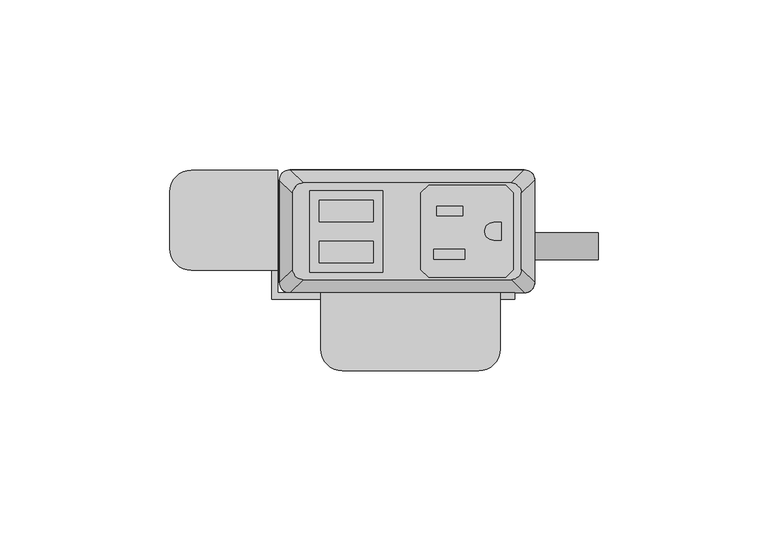
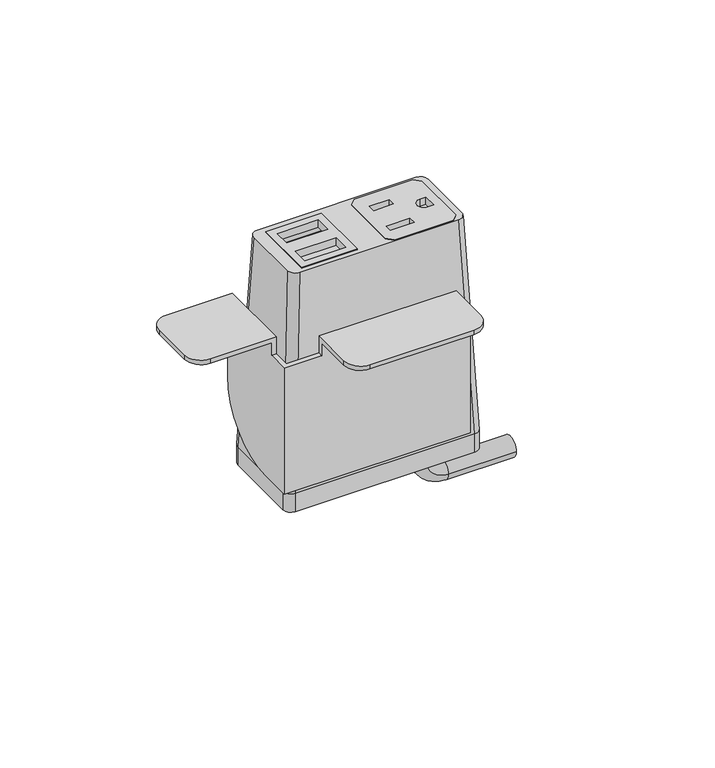
"""IFC4 building model written with IfcOpenShell, lengths in millimetres: furniture geometry."""

from ifc_helpers import new_model, si_unit, point, frame, frame_2d, origin, place, context, project, spatial, polyline, circle_curve, ellipse_curve, trimmed, segment, composite_curve, outline, extrude, source, transform, mapped, element, save
from ifc_brep_helpers import plane_surface, cylinder_surface, revolved_surface, extruded_surface, advanced_brep


def furniture_319d831d(model_context):
    return source(origin(), model_context, "Body", "SolidModel", [
        extrude(outline(polyline([(28.9877496, 31.6867491), (31.2737497, 29.400774), (31.2737497, 6.7950272), (28.9877496, 4.5090526), (6.3817502, 4.5090526), (4.0957501, 6.7950272), (4.0957501, 29.400774), (6.3817502, 31.6867491), (28.9877496, 31.6867491)]), holes=[polyline([(16.3893498, 25.5262103), (8.71855, 25.5262103), (8.71855, 22.6814439), (16.3893498, 22.6814439), (16.3893498, 25.5262103)]), polyline([(17.0497496, 12.7755533), (7.8041498, 12.7755533), (7.8041498, 9.9307858), (17.0497496, 9.9307858), (17.0497496, 12.7755533)]), composite_curve([segment(polyline([(27.7177508, 20.7140722), (25.4427305, 20.7140722)]), True, "CONTINUOUS"), segment(trimmed(circle_curve(frame_2d((25.4427305, 18.0979012)), 2.616171), [point((25.4427305, 20.7140722))], [point((25.4427305, 15.4817301))], True, "CARTESIAN"), True, "CONTINUOUS"), segment(polyline([(25.4427305, 15.4817301), (27.7177508, 15.4817301), (27.7177508, 20.7140722)]), True, "CONTINUOUS")], self_intersect=False)]), frame((0.0, 0.0, 714.6247365), z_axis=(0.0, 0.0, 1.0), x_axis=(1.0, 0.0, 0.0)), (0.0, 0.0, 1.0), 2.9555086),
        extrude(outline(polyline([(-28.6985163, 30.0736276), (-7.143469, 30.0736276), (-7.143469, 6.0162042), (-28.6985163, 6.0162042), (-28.6985163, 30.0736276)]), holes=[polyline([(-9.9834931, 27.2024139), (-25.8584916, 27.2025547), (-25.8584916, 20.8524858), (-9.9834931, 20.8524858), (-9.9834931, 27.2024139)]), polyline([(-9.9834931, 15.1725012), (-25.8584916, 15.1726408), (-25.8584916, 8.8225725), (-9.9834931, 8.8225725), (-9.9834931, 15.1725012)])]), frame((0.0, 0.0, 714.6247365), z_axis=(0.0, 0.0, 1.0), x_axis=(1.0, 0.0, 0.0)), (0.0, 0.0, 1.0), 2.9555086),
        advanced_brep(
        [(-30.6070003, 32.3219007, 717.5670623), (-33.6549997, 29.2739013, 717.5670623), (-33.6549997, 6.9219002, 717.5670623), (-30.6070003, 3.8739008, 717.5670623), (30.6070003, 3.8739008, 717.5670623), (33.6549997, 6.9219002, 717.5670623), (33.6549997, 29.2739013, 717.5670623), (30.6070003, 32.3219007, 717.5670623), (-7.143469, 30.0736276, 717.5670623), (-7.143469, 6.0162042, 717.5670623), (-28.6985163, 6.0162042, 717.5670623), (-28.6985163, 30.0736276, 717.5670623), (4.0957501, 29.400774, 717.5670623), (6.3817502, 31.6867491, 717.5670623), (28.9877496, 31.6867491, 717.5670623), (31.2737497, 29.400774, 717.5670623), (31.2737497, 6.7950272, 717.5670623), (28.9877496, 4.5090526, 717.5670623), (6.3817502, 4.5090526, 717.5670623), (4.0957501, 6.7950272, 717.5670623), (-34.5440011, 36.1954015, 631.2202434), (34.5440011, 36.1954015, 631.2202434), (37.5920005, 33.1474021, 631.2202434), (37.5920005, 3.0484002, 631.2202434), (34.5440011, 0.0004009, 631.2202434), (-34.5440011, 0.0004009, 631.2202434), (-37.5920005, 3.0484002, 631.2202434), (-37.5920005, 33.1474021, 631.2202434), (-7.143469, 30.0736276, 710.4251211), (-28.6985163, 30.0736276, 710.4251211), (-28.6985163, 6.0162042, 710.4251211), (-7.143469, 6.0162042, 710.4251211), (4.0957501, 29.400774, 710.4251211), (4.0957501, 6.7950272, 710.4251211), (6.3817502, 4.5090526, 710.4251211), (28.9877496, 4.5090526, 710.4251211), (31.2737497, 6.7950272, 710.4251211), (31.2737497, 29.400774, 710.4251211), (28.9877496, 31.6867491, 710.4251211), (6.3817502, 31.6867491, 710.4251211)],
        [
            (0, 1, circle_curve(frame((-30.6070003, 29.2739013, 717.5670623), z_axis=(0.0, 0.0, 1.0), x_axis=(-1.0, 0.0, 0.0)), 3.0479994)),
            (1, 2),
            (2, 3, circle_curve(frame((-30.6070003, 6.9219002, 717.5670623), z_axis=(0.0, 0.0, 1.0), x_axis=(-1.0, 0.0, 0.0)), 3.0479994)),
            (3, 4),
            (4, 5, circle_curve(frame((30.6070003, 6.9219002, 717.5670623), z_axis=(0.0, 0.0, 1.0), x_axis=(-1.0, 0.0, 0.0)), 3.0479994)),
            (5, 6),
            (6, 7, circle_curve(frame((30.6070003, 29.2739013, 717.5670623), z_axis=(0.0, 0.0, 1.0), x_axis=(-1.0, 0.0, 0.0)), 3.0479994)),
            (7, 0),
            (8, 9),
            (9, 10),
            (10, 11),
            (11, 8),
            (12, 13),
            (13, 14),
            (14, 15),
            (15, 16),
            (16, 17),
            (17, 18),
            (18, 19),
            (19, 12),
            (20, 21),
            (21, 22, circle_curve(frame((34.5440011, 33.1474021, 631.2202434), z_axis=(0.0, 0.0, -1.0), x_axis=(-1.0, 0.0, 0.0)), 3.0479994)),
            (22, 23),
            (23, 24, circle_curve(frame((34.5440011, 3.0484002, 631.2202434), z_axis=(0.0, 0.0, -1.0), x_axis=(-1.0, 0.0, 0.0)), 3.0479994)),
            (24, 25),
            (25, 26, circle_curve(frame((-34.5440011, 3.0484002, 631.2202434), z_axis=(0.0, 0.0, -1.0), x_axis=(-1.0, 0.0, 0.0)), 3.0479994)),
            (26, 27),
            (27, 20, circle_curve(frame((-34.5440011, 33.1474021, 631.2202434), z_axis=(0.0, 0.0, -1.0), x_axis=(-1.0, 0.0, 0.0)), 3.0479994)),
            (0, 20),
            (27, 1),
            (26, 2),
            (25, 3),
            (24, 4),
            (23, 5),
            (22, 6),
            (21, 7),
            (28, 29),
            (29, 30),
            (30, 31),
            (31, 28),
            (32, 33),
            (33, 34),
            (34, 35),
            (35, 36),
            (36, 37),
            (37, 38),
            (38, 39),
            (39, 32),
            (31, 9),
            (8, 28),
            (30, 10),
            (29, 11),
            (39, 13),
            (12, 32),
            (38, 14),
            (37, 15),
            (36, 16),
            (35, 17),
            (34, 18),
            (33, 19),
        ],
        [
            plane_surface(frame((0.0, 18.0979007, 717.5670623), z_axis=(0.0, 0.0, 1.0), x_axis=(-1.0, 0.0, 0.0))),
            plane_surface(frame((0.0, 18.0979012, 631.2202434), z_axis=(0.0, 0.0, -1.0), x_axis=(-1.0, 0.0, 0.0))),
            extruded_surface(trimmed(circle_curve(frame((-34.5440011, 33.1474021, 631.2202434), z_axis=(0.0, 0.0, 1.0), x_axis=(-1.0, 0.0, 0.0)), 3.0479994), [point((-34.5440011, 36.1954015, 631.2202434))], [point((-37.5920005, 33.1474021, 631.2202434))], True, "CARTESIAN"), (3.9370008000000034, -3.873500800000002, 86.34681890000002), 86.52327500676452),
            plane_surface(frame((-37.5920005, 18.0979012, 631.2202434), z_axis=(-0.9989621566211194, 0.0, 0.04554788292425982), x_axis=(0.0, -1.0, 0.0))),
            extruded_surface(trimmed(circle_curve(frame((-34.5440011, 3.0484002, 631.2202434), z_axis=(0.0, 0.0, 1.0), x_axis=(-1.0, 0.0, 0.0)), 3.0479994), [point((-37.5920005, 3.0484002, 631.2202434))], [point((-34.5440011, 0.0004009, 631.2202434))], True, "CARTESIAN"), (3.9370008000000034, 3.8734999999999995, 86.34681890000002), 86.52327497094987),
            plane_surface(frame((0.0, 0.0004009, 631.2202434), z_axis=(0.0, -0.9989953158490498, 0.044814717578687276), x_axis=(1.0, 0.0, 0.0))),
            extruded_surface(trimmed(circle_curve(frame((34.5440011, 3.0484002, 631.2202434), z_axis=(0.0, 0.0, 1.0), x_axis=(-1.0, 0.0, 0.0)), 3.0479994), [point((34.5440011, 0.0004009, 631.2202434))], [point((37.5920005, 3.0484002, 631.2202434))], True, "CARTESIAN"), (-3.9370008000000034, 3.8734999999999995, 86.34681890000002), 86.52327497094987),
            plane_surface(frame((37.5920005, 18.0979012, 631.2202434), z_axis=(0.9989621566211194, 0.0, 0.04554788292425977), x_axis=(0.0, 1.0, 0.0))),
            extruded_surface(trimmed(circle_curve(frame((34.5440011, 33.1474021, 631.2202434), z_axis=(0.0, 0.0, 1.0), x_axis=(-1.0, 0.0, 0.0)), 3.0479994), [point((37.5920005, 33.1474021, 631.2202434))], [point((34.5440011, 36.1954015, 631.2202434))], True, "CARTESIAN"), (-3.9370008000000034, -3.873500800000002, 86.34681890000002), 86.52327500676452),
            plane_surface(frame((0.0, 36.1954015, 631.2202434), z_axis=(0.0, 0.9989953153818162, 0.04481472799410512), x_axis=(-1.0, 0.0, 0.0))),
            plane_surface(frame((-7.143469, 30.0736276, 710.4251211), z_axis=(0.0, 0.0, 1.0), x_axis=(0.0, -1.0, 0.0))),
            plane_surface(frame((-7.143469, 30.0736276, 710.4251211), z_axis=(-1.0, 0.0, 0.0), x_axis=(0.0, 0.0, 1.0))),
            plane_surface(frame((-7.143469, 6.0162042, 710.4251211), z_axis=(0.0, 1.0, 0.0), x_axis=(0.0, 0.0, 1.0))),
            plane_surface(frame((-28.6985163, 6.0162042, 710.4251211), z_axis=(1.0, 0.0, 0.0), x_axis=(0.0, 0.0, 1.0))),
            plane_surface(frame((-28.6985163, 30.0736276, 710.4251211), z_axis=(0.0, -1.0, 0.0), x_axis=(0.0, 0.0, 1.0))),
            plane_surface(frame((4.0957501, 29.400774, 710.4251211), z_axis=(0.7071029176939239, -0.707110644658062, 0.0), x_axis=(0.0, 0.0, 1.0))),
            plane_surface(frame((6.3817502, 31.6867491, 710.4251211), z_axis=(0.0, -1.0, 0.0), x_axis=(0.0, 0.0, 1.0))),
            plane_surface(frame((28.9877496, 31.6867491, 710.4251211), z_axis=(-0.7071029176939239, -0.707110644658062, 0.0), x_axis=(0.0, 0.0, 1.0))),
            plane_surface(frame((31.2737497, 29.400774, 710.4251211), z_axis=(-1.0, 0.0, 0.0), x_axis=(0.0, 0.0, 1.0))),
            plane_surface(frame((31.2737497, 6.7950272, 710.4251211), z_axis=(-0.7071028298865373, 0.7071107324644781, 0.0), x_axis=(0.0, 0.0, 1.0))),
            plane_surface(frame((28.9877496, 4.5090526, 710.4251211), z_axis=(0.0, 1.0, 0.0), x_axis=(0.0, 0.0, 1.0))),
            plane_surface(frame((6.3817502, 4.5090526, 710.4251211), z_axis=(0.7071028298865373, 0.7071107324644781, 0.0), x_axis=(0.0, 0.0, 1.0))),
            plane_surface(frame((4.0957501, 6.7950272, 710.4251211), z_axis=(1.0, 0.0, 0.0), x_axis=(0.0, 0.0, 1.0))),
        ],
        [
            (0, [[1, 2, 3, 4, 5, 6, 7, 8], [9, 10, 11, 12], [13, 14, 15, 16, 17, 18, 19, 20]]),
            (1, [[21, 22, 23, 24, 25, 26, 27, 28]]),
            (2, [[-1, 29, -28, 30]]),
            (3, [[-2, -30, -27, 31]]),
            (4, [[-3, -31, -26, 32]]),
            (5, [[-4, -32, -25, 33]]),
            (6, [[-5, -33, -24, 34]]),
            (7, [[-6, -34, -23, 35]]),
            (8, [[-7, -35, -22, 36]]),
            (9, [[-8, -36, -21, -29]]),
            (10, [[37, 38, 39, 40]]),
            (10, [[41, 42, 43, 44, 45, 46, 47, 48]]),
            (11, [[-40, 49, -9, 50]]),
            (12, [[-39, 51, -10, -49]]),
            (13, [[-38, 52, -11, -51]]),
            (14, [[-37, -50, -12, -52]]),
            (15, [[-48, 53, -13, 54]]),
            (16, [[-47, 55, -14, -53]]),
            (17, [[-46, 56, -15, -55]]),
            (18, [[-45, 57, -16, -56]]),
            (19, [[-44, 58, -17, -57]]),
            (20, [[-43, 59, -18, -58]]),
            (21, [[-42, 60, -19, -59]]),
            (22, [[-41, -54, -20, -60]]),
        ],
    ),
        advanced_brep(
        [(21.5715504, 17.7128311, 623.7460348), (21.5715504, 9.7137856, 623.7460348), (21.5715504, 17.7128311, 618.9162821), (21.5715504, 9.7137856, 618.9162821), (30.0384415, 9.7137856, 610.449391), (30.0384415, 17.7128311, 610.449391), (56.2588798, 17.7128311, 610.449391), (56.2588798, 9.7137856, 610.449391)],
        [
            (0, 1, circle_curve(frame((21.5715504, 13.7133083, 623.7460348), z_axis=(0.0, 0.0, 1.0), x_axis=(0.0, -1.0, 0.0)), 3.9995228)),
            (1, 0, circle_curve(frame((21.5715504, 13.7133083, 623.7460348), z_axis=(0.0, 0.0, 1.0), x_axis=(0.0, -1.0, 0.0)), 3.9995228)),
            (0, 2),
            (2, 3, circle_curve(frame((21.5715504, 13.7133083, 618.9162821), z_axis=(0.0, 0.0, 1.0), x_axis=(0.0, -1.0, 0.0)), 3.9995228)),
            (3, 1),
            (3, 2, circle_curve(frame((21.5715504, 13.7133083, 618.9162821), z_axis=(0.0, 0.0, 1.0), x_axis=(0.0, -1.0, 0.0)), 3.9995228)),
            (4, 3, circle_curve(frame((30.0384415, 9.7137856, 618.9162821), z_axis=(0.0, 1.0, 0.0), x_axis=(-1.0, 0.0, 0.0)), 8.4668911)),
            (2, 5, circle_curve(frame((30.0384415, 17.7128311, 618.9162821), z_axis=(0.0, -1.0, 0.0), x_axis=(-1.0, 0.0, 0.0)), 8.4668911)),
            (5, 4, circle_curve(frame((30.0384415, 13.7133083, 610.449391), z_axis=(-1.0, 0.0, 0.0), x_axis=(0.0, -1.0, 0.0)), 3.9995228)),
            (4, 5, circle_curve(frame((30.0384415, 13.7133083, 610.449391), z_axis=(-1.0, 0.0, 0.0), x_axis=(0.0, -1.0, 0.0)), 3.9995228)),
            (6, 7, circle_curve(frame((56.2588798, 13.7133083, 610.449391), z_axis=(1.0, 0.0, 0.0), x_axis=(0.0, -1.0, 0.0)), 3.9995228)),
            (7, 6, circle_curve(frame((56.2588798, 13.7133083, 610.449391), z_axis=(1.0, 0.0, 0.0), x_axis=(0.0, -1.0, 0.0)), 3.9995228)),
            (5, 6),
            (7, 4),
        ],
        [
            plane_surface(frame((21.5715504, 0.0, 623.7460348), z_axis=(0.0, 0.0, 1.0), x_axis=(0.0, -1.0, 0.0))),
            cylinder_surface(frame((21.5715504, 13.7133083, 623.7460348), z_axis=(0.0, 0.0, 1.0), x_axis=(0.0, -1.0, 0.0)), 3.9995228),
            revolved_surface(trimmed(ellipse_curve(frame((21.5715504, 13.7133083, 618.9162821), z_axis=(0.0, 0.0, 1.0), x_axis=(0.0, -1.0, 0.0)), 3.9995228, 3.9995228), [point((21.5715504, 17.7128311, 618.9162821))], [point((21.5715504, 9.7137856, 618.9162821))], True, "CARTESIAN"), (30.0384415, 0.0, 618.9162821), (0.0, -1.0, 0.0)),
            revolved_surface(trimmed(ellipse_curve(frame((21.5715504, 13.7133083, 618.9162821), z_axis=(0.0, 0.0, 1.0), x_axis=(0.0, -1.0, 0.0)), 3.9995228, 3.9995228), [point((21.5715504, 9.7137856, 618.9162821))], [point((21.5715504, 17.7128311, 618.9162821))], True, "CARTESIAN"), (30.0384415, 0.0, 618.9162821), (0.0, -1.0, 0.0)),
            plane_surface(frame((56.2588798, 0.0, 610.449391), z_axis=(1.0, 0.0, 0.0), x_axis=(0.0, -1.0, 0.0))),
            cylinder_surface(frame((30.0384415, 13.7133083, 610.449391), z_axis=(-1.0, 0.0, 0.0), x_axis=(0.0, -1.0, 0.0)), 3.9995228),
        ],
        [
            (0, [[1, 2]]),
            (1, [[-1, 3, 4, 5]]),
            (1, [[-2, -5, 6, -3]]),
            (2, [[7, -4, 8, 9]]),
            (3, [[-8, -6, -7, 10]]),
            (4, [[11, 12]]),
            (5, [[-9, 13, -12, 14]]),
            (5, [[-10, -14, -11, -13]]),
        ],
    ),
        extrude(outline(composite_curve([segment(trimmed(circle_curve(frame_2d((34.5440011, 33.1474021)), 3.0479994), [point((34.5440011, 36.1954015))], [point((37.5920005, 33.1474021))], False, "CARTESIAN"), True, "CONTINUOUS"), segment(polyline([(37.5920005, 33.1474021), (37.5920005, 3.0484002)]), True, "CONTINUOUS"), segment(trimmed(circle_curve(frame_2d((34.5440011, 3.0484002)), 3.0479994), [point((37.5920005, 3.0484002))], [point((34.5440011, 0.0004009))], False, "CARTESIAN"), True, "CONTINUOUS"), segment(polyline([(34.5440011, 0.0004009), (-34.5440011, 0.0004009)]), True, "CONTINUOUS"), segment(trimmed(circle_curve(frame_2d((-34.5440011, 3.0484002)), 3.0479994), [point((-34.5440011, 0.0004009))], [point((-37.5920005, 3.0484002))], False, "CARTESIAN"), True, "CONTINUOUS"), segment(polyline([(-37.5920005, 3.0484002), (-37.5920005, 33.1474021)]), True, "CONTINUOUS"), segment(trimmed(circle_curve(frame_2d((-34.5440011, 33.1474021)), 3.0479994), [point((-37.5920005, 33.1474021))], [point((-34.5440011, 36.1954015))], False, "CARTESIAN"), True, "CONTINUOUS"), segment(polyline([(-34.5440011, 36.1954015), (34.5440011, 36.1954015)]), True, "CONTINUOUS")], self_intersect=False)), frame((0.0, 0.0, 623.7460348), z_axis=(0.0, 0.0, 1.0), x_axis=(1.0, 0.0, 0.0)), (0.0, 0.0, 1.0), 7.4742086),
        advanced_brep(
        [(-63.4998651, 6.6265515, 690.372), (-69.8498653, 12.9765517, 690.372), (-69.8498653, 29.7151512, 690.372), (-63.4998645, 36.0651519, 690.372), (-39.877862, 36.0651519, 690.372), (-39.877862, 6.6265515, 690.372), (27.4321373, -16.6144474, 690.372), (21.0821366, -22.9644481, 690.372), (-19.0498626, -22.9644481, 690.372), (-25.3998622, -16.6144485, 690.372), (-25.3998622, -1.9078486, 690.372), (27.4321373, -1.9078486, 690.372), (-63.4998645, 36.0651519, 692.15), (-69.8498653, 29.7151512, 692.15), (-69.8498653, 12.9765517, 692.15), (-63.4998651, 6.6265515, 692.15), (-38.0998637, 6.6265515, 692.15), (-38.0998637, 36.0651519, 692.15), (-25.3998622, 0.0, 692.15), (-25.3998622, -16.6144485, 692.15), (-19.0498626, -22.9644481, 692.15), (21.0821366, -22.9644481, 692.15), (27.4321373, -16.6144474, 692.15), (27.4321373, 0.0, 692.15), (-38.0998637, 36.0651519, 659.1299997), (-39.877862, 36.0651519, 659.1299997), (-39.877862, 6.6265515, 685.2919997), (-38.0998637, 6.6265515, 685.2919997), (-38.0998637, 0.0, 685.2919997), (-38.0998637, 0.0, 633.7300012), (-38.0998637, 10.6651534, 633.7300012), (27.4321373, -1.9078486, 685.2919997), (27.4321373, 0.0, 685.2919997), (31.7501378, 0.0, 685.2919997), (31.7501378, 0.0, 633.7300012), (-25.3998622, 0.0, 685.2919997), (-25.3998622, -1.9078486, 685.2919997), (-39.877862, 10.6651534, 633.7300012), (-39.877862, -1.9078486, 633.7300012), (-39.877862, -1.9078486, 685.2919997), (31.7501378, -1.9078486, 633.7300012), (31.7501378, -1.9078486, 685.2919997)],
        [
            (0, 1, circle_curve(frame((-63.4998651, 12.9765517, 690.372), z_axis=(0.0, 0.0, -1.0), x_axis=(-1.0, 0.0, 0.0)), 6.3500002)),
            (1, 2),
            (2, 3, circle_curve(frame((-63.4998645, 29.7151512, 690.372), z_axis=(0.0, 0.0, -1.0), x_axis=(-1.0, 0.0, 0.0)), 6.3500008)),
            (3, 4),
            (4, 5),
            (5, 0),
            (6, 7, circle_curve(frame((21.0821366, -16.6144474, 690.372), z_axis=(0.0, 0.0, -1.0), x_axis=(-1.0, 0.0, 0.0)), 6.3500008)),
            (7, 8),
            (8, 9, circle_curve(frame((-19.0498626, -16.6144485, 690.372), z_axis=(0.0, 0.0, -1.0), x_axis=(-1.0, 0.0, 0.0)), 6.3499996)),
            (9, 10),
            (10, 11),
            (11, 6),
            (12, 13, circle_curve(frame((-63.4998645, 29.7151512, 692.15), z_axis=(0.0, 0.0, 1.0), x_axis=(-1.0, 0.0, 0.0)), 6.3500008)),
            (13, 14),
            (14, 15, circle_curve(frame((-63.4998651, 12.9765517, 692.15), z_axis=(0.0, 0.0, 1.0), x_axis=(-1.0, 0.0, 0.0)), 6.3500002)),
            (15, 16),
            (16, 17),
            (17, 12),
            (18, 19),
            (19, 20, circle_curve(frame((-19.0498626, -16.6144485, 692.15), z_axis=(0.0, 0.0, 1.0), x_axis=(-1.0, 0.0, 0.0)), 6.3499996)),
            (20, 21),
            (21, 22, circle_curve(frame((21.0821366, -16.6144474, 692.15), z_axis=(0.0, 0.0, 1.0), x_axis=(-1.0, 0.0, 0.0)), 6.3500008)),
            (22, 23),
            (23, 18),
            (3, 12),
            (17, 24),
            (24, 25),
            (25, 4),
            (2, 13),
            (1, 14),
            (0, 15),
            (5, 26),
            (26, 27),
            (27, 16),
            (27, 28),
            (28, 29),
            (29, 30),
            (30, 24, circle_curve(frame((-38.0998637, 10.6651534, 659.1299997), z_axis=(1.0, 0.0, 0.0), x_axis=(0.0, -1.0, 0.0)), 25.3999985)),
            (8, 20),
            (19, 9),
            (7, 21),
            (6, 22),
            (11, 31),
            (31, 32),
            (32, 23),
            (32, 33),
            (33, 34),
            (34, 29),
            (28, 35),
            (35, 18),
            (35, 36),
            (36, 10),
            (25, 37, circle_curve(frame((-39.877862, 10.6651534, 659.1299997), z_axis=(-1.0, 0.0, 0.0), x_axis=(0.0, -1.0, 0.0)), 25.3999985)),
            (37, 38),
            (38, 39),
            (39, 26),
            (30, 37),
            (34, 40),
            (40, 38),
            (40, 41),
            (41, 31),
            (36, 39),
            (41, 33),
        ],
        [
            plane_surface(frame((-63.4998645, 36.0651519, 690.372), z_axis=(0.0, 0.0, -1.0), x_axis=(1.0, 0.0, 0.0))),
            plane_surface(frame((-63.4998645, 36.0651519, 692.15), z_axis=(0.0, 0.0, 1.0), x_axis=(-1.0, 0.0, 0.0))),
            plane_surface(frame((-38.0998637, 36.0651519, 692.15), z_axis=(0.0, 1.0, 0.0), x_axis=(0.0, 0.0, -1.0))),
            cylinder_surface(frame((-63.4998645, 29.7151512, 690.372), z_axis=(0.0, 0.0, 1.0), x_axis=(-1.0, 0.0, 0.0)), 6.3500008),
            plane_surface(frame((-69.8498653, 29.7151512, 692.15), z_axis=(-1.0, 0.0, 0.0), x_axis=(0.0, 0.0, -1.0))),
            cylinder_surface(frame((-63.4998651, 12.9765517, 690.372), z_axis=(0.0, 0.0, 1.0), x_axis=(-1.0, 0.0, 0.0)), 6.3500002),
            plane_surface(frame((-63.4998651, 6.6265515, 692.15), z_axis=(0.0, -1.0, 0.0), x_axis=(0.0, 0.0, -1.0))),
            plane_surface(frame((-38.0998637, 6.6265515, 692.15), z_axis=(1.0, 0.0, 0.0), x_axis=(0.0, 0.0, -1.0))),
            cylinder_surface(frame((-19.0498626, -16.6144485, 692.15), z_axis=(0.0, 0.0, 1.0), x_axis=(-1.0, 0.0, 0.0)), 6.3499996),
            plane_surface(frame((-19.0498626, -22.9644481, 692.15), z_axis=(0.0, -1.0, 0.0), x_axis=(0.0, 0.0, -1.0))),
            cylinder_surface(frame((21.0821366, -16.6144474, 692.15), z_axis=(0.0, 0.0, 1.0), x_axis=(-1.0, 0.0, 0.0)), 6.3500008),
            plane_surface(frame((27.4321373, -16.6144474, 692.15), z_axis=(1.0, 0.0, 0.0), x_axis=(0.0, 0.0, -1.0))),
            plane_surface(frame((27.4321373, 0.0, 692.15), z_axis=(0.0, 1.0, 0.0), x_axis=(0.0, 0.0, -1.0))),
            plane_surface(frame((-25.3998622, 0.0, 692.15), z_axis=(-1.0, 0.0, 0.0), x_axis=(0.0, 0.0, -1.0))),
            plane_surface(frame((-39.877862, 36.0651519, 659.1299997), z_axis=(-1.0, 0.0, 0.0), x_axis=(0.0, 0.0, -1.0))),
            cylinder_surface(frame((-38.0998637, 10.6651534, 659.1299997), z_axis=(-1.0, 0.0, 0.0), x_axis=(0.0, -1.0, 0.0)), 25.3999985),
            plane_surface(frame((-39.877862, 10.6651534, 633.7300012), z_axis=(0.0, 0.0, -1.0), x_axis=(1.0, 0.0, 0.0))),
            plane_surface(frame((-39.877862, -1.9078486, 633.7300012), z_axis=(0.0, -1.0, 0.0), x_axis=(1.0, 0.0, 0.0))),
            plane_surface(frame((-39.877862, -1.9078486, 685.2919997), z_axis=(0.0, 0.0, 1.0), x_axis=(1.0, 0.0, 0.0))),
            plane_surface(frame((31.7501378, -1.9078486, 685.2919997), z_axis=(0.0, 0.0, 1.0), x_axis=(0.0, 1.0, 0.0))),
            plane_surface(frame((31.7501378, -1.9078486, 633.7300012), z_axis=(1.0, 0.0, 0.0), x_axis=(0.0, 1.0, 0.0))),
        ],
        [
            (0, [[1, 2, 3, 4, 5, 6]]),
            (0, [[7, 8, 9, 10, 11, 12]]),
            (1, [[13, 14, 15, 16, 17, 18]]),
            (1, [[19, 20, 21, 22, 23, 24]]),
            (2, [[25, -18, 26, 27, 28, -4]]),
            (3, [[-3, 29, -13, -25]]),
            (4, [[-2, 30, -14, -29]]),
            (5, [[-1, 31, -15, -30]]),
            (6, [[-31, -6, 32, 33, 34, -16]]),
            (7, [[-17, -34, 35, 36, 37, 38, -26]]),
            (8, [[-9, 39, -20, 40]]),
            (9, [[-8, 41, -21, -39]]),
            (10, [[-7, 42, -22, -41]]),
            (11, [[-42, -12, 43, 44, 45, -23]]),
            (12, [[-24, -45, 46, 47, 48, -36, 49, 50]]),
            (13, [[-40, -19, -50, 51, 52, -10]]),
            (14, [[53, 54, 55, 56, -32, -5, -28]]),
            (15, [[-53, -27, -38, 57]]),
            (16, [[-57, -37, -48, 58, 59, -54]]),
            (17, [[-55, -59, 60, 61, -43, -11, -52, 62]]),
            (18, [[-62, -51, -49, -35, -33, -56]]),
            (19, [[-61, 63, -46, -44]]),
            (20, [[-60, -58, -47, -63]]),
        ],
    ),
    ])


if __name__ == "__main__":
    model = new_model("IFC4")
    model_context = context("Model", 3, world=origin())
    ifc_project = project(units=[si_unit("LENGTHUNIT", "METRE", prefix="MILLI")], contexts=[model_context])
    site = spatial("IfcSite", under=ifc_project)
    building = spatial("IfcBuilding", under=site)
    placement = place(None, origin())
    furniture_shape = furniture_319d831d(model_context)
    element("IfcFurniture", 1, at=placement, inside=building, context=model_context, shape_type="MappedRepresentation", body=[
        mapped(furniture_shape, transform((0.0, 0.0, 0.0), x_axis=(1.0, 0.0, 0.0), y_axis=(0.0, 1.0, 0.0), z_axis=(0.0, 0.0, 1.0))),
    ])
    save(model, "model.ifc")
